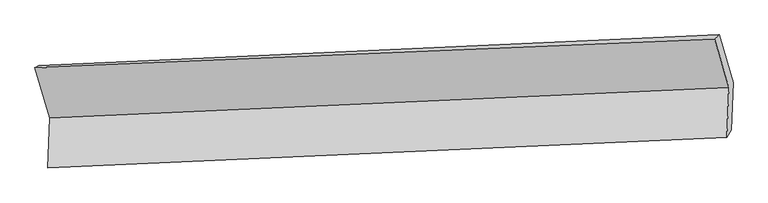
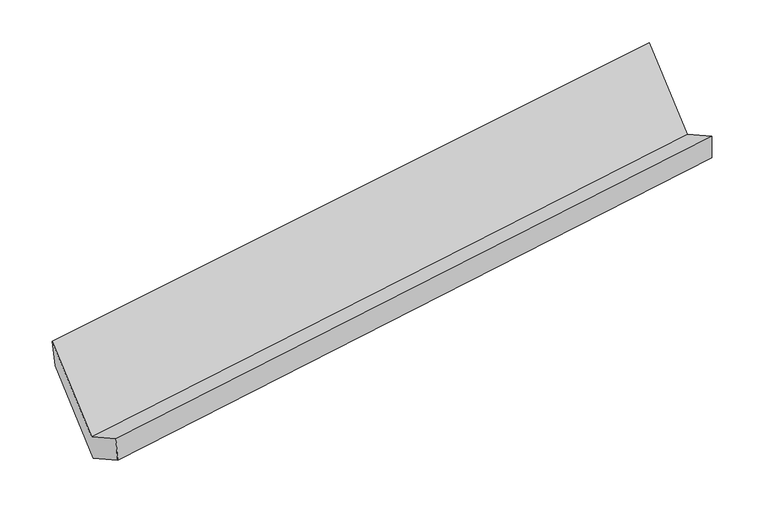
"""IFC4 building model written with IfcOpenShell, lengths in millimetres: proxy geometry."""

from ifc_helpers import new_model, si_unit, frame, origin, place, context, project, spatial, source, transform, mapped, element, save
from ifc_brep_helpers import plane_surface, spline_surface, advanced_brep


def generic_models_89ee1754(model_context):
    return source(origin(), model_context, "Body", "AdvancedBrep", [
        advanced_brep(
        [(-5201.4479161, -1625.7430868, 1424.4845894), (-5215.6986936, -1974.7637027, 1624.4176925), (-487.1235087, -1763.1144413, 2312.3344785), (-472.8457828, -1413.4338222, 2112.0232989), (-5187.4678542, -1948.6734287, 1423.9929626), (-457.6306052, -1709.5953618, 2095.227028), (-5173.190424, -1599.0000525, 1223.6859321), (-443.9435, -1376.9901913, 1903.9696358), (-5273.4489481, -1259.8966651, 1808.5081022), (-541.8973825, -1045.6817696, 2475.3485053), (-5305.2698651, -1274.5871632, 2030.0927222), (-572.2666819, -1077.163525, 2691.9594842)],
        [
            (0, 1),
            (1, 2),
            (2, 3),
            (3, 0),
            (1, 4),
            (4, 5),
            (5, 2),
            (4, 6),
            (6, 7),
            (7, 5),
            (6, 8),
            (8, 9),
            (9, 7),
            (8, 10),
            (10, 11),
            (11, 9),
            (10, 0),
            (3, 11),
        ],
        [
            plane_surface(frame((-5208.5733048, -1800.2533947, 1524.451141), z_axis=(-0.14670166382988153, 0.49618754714112434, 0.8557315816841278), x_axis=(-0.03540724615268367, -0.8671708513537779, 0.4967504821157675))),
            spline_surface(1, 1, [[(-5215.6986936, -1974.7637027, 1624.4176925), (-487.1235087, -1763.1144413, 2312.3344785)], [(-5187.4678542, -1948.6734287, 1423.9929626), (-457.6306052, -1709.5953618, 2095.227028)]], [2, 2], [2, 2], [0.0, 1.0], [0.0, 1.0]),
            spline_surface(1, 1, [[(-5187.4678542, -1948.6734287, 1423.9929626), (-457.6306052, -1709.5953618, 2095.227028)], [(-5173.190424, -1599.0000525, 1223.6859321), (-443.9435, -1376.9901913, 1903.9696358)]], [2, 2], [2, 2], [0.0, 1.0], [0.0, 1.0]),
            plane_surface(frame((-5223.3196861, -1429.4483588, 1516.0970171), z_axis=(0.03085197637667965, 0.8669654745425693, -0.49741232544522906), x_axis=(-0.1467016638298824, 0.4961875471411301, 0.8557315816841242))),
            spline_surface(1, 1, [[(-5273.4489481, -1259.8966651, 1808.5081022), (-541.8973825, -1045.6817696, 2475.3485053)], [(-5305.2698651, -1274.5871632, 2030.0927222), (-572.2666819, -1077.163525, 2691.9594842)]], [2, 2], [2, 2], [0.0, 1.0], [0.0, 1.0]),
            plane_surface(frame((-5253.3588906, -1450.165125, 1727.2886558), z_axis=(-0.03334039308200629, -0.8670799436068761, 0.4970520994662772), x_axis=(0.14670166382988153, -0.4961875471411296, -0.8557315816841247))),
            plane_surface(frame((-495.9512435, -1397.6631852, 2265.1437384), z_axis=(0.9885468874815336, 0.042575023481367005, 0.14478404133789458), x_axis=(-0.1374278991542928, -0.14246201204428377, 0.9802133174255142))),
            plane_surface(frame((-5226.0872835, -1613.7773498, 1589.1970002), z_axis=(-0.9885468874815333, -0.042575023481347216, -0.14478404133790412), x_axis=(-0.14670166382988, 0.49618754714112956, 0.8557315816841251))),
        ],
        [
            (0, [[1, 2, 3, 4]]),
            (1, [[5, 6, 7, -2]]),
            (2, [[8, 9, 10, -6]]),
            (3, [[11, 12, 13, -9]]),
            (4, [[14, 15, 16, -12]]),
            (5, [[17, -4, 18, -15]]),
            (6, [[-16, -18, -3, -7, -10, -13]]),
            (7, [[-17, -14, -11, -8, -5, -1]]),
        ],
    ),
    ])


if __name__ == "__main__":
    model = new_model("IFC4")
    model_context = context("Model", 3, world=origin())
    ifc_project = project(units=[si_unit("LENGTHUNIT", "METRE", prefix="MILLI")], contexts=[model_context])
    site = spatial("IfcSite", under=ifc_project)
    building = spatial("IfcBuilding", under=site)
    placement = place(None, origin())
    generic_models_shape = generic_models_89ee1754(model_context)
    element("IfcBuildingElementProxy", 1, Name="Generic Models", at=placement, inside=building, context=model_context, shape_type="MappedRepresentation", body=[
        mapped(generic_models_shape, transform((0.0, 0.0, 0.0), x_axis=(1.0, 0.0, 0.0), y_axis=(0.0, 1.0, 0.0), z_axis=(0.0, 0.0, 1.0))),
    ])
    save(model, "model.ifc")
